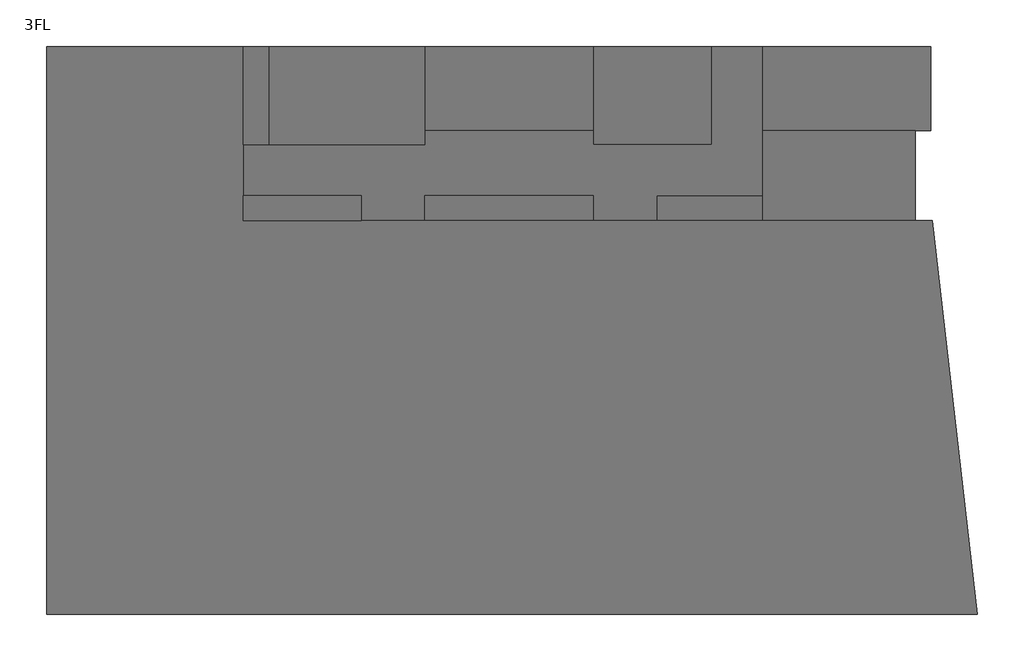
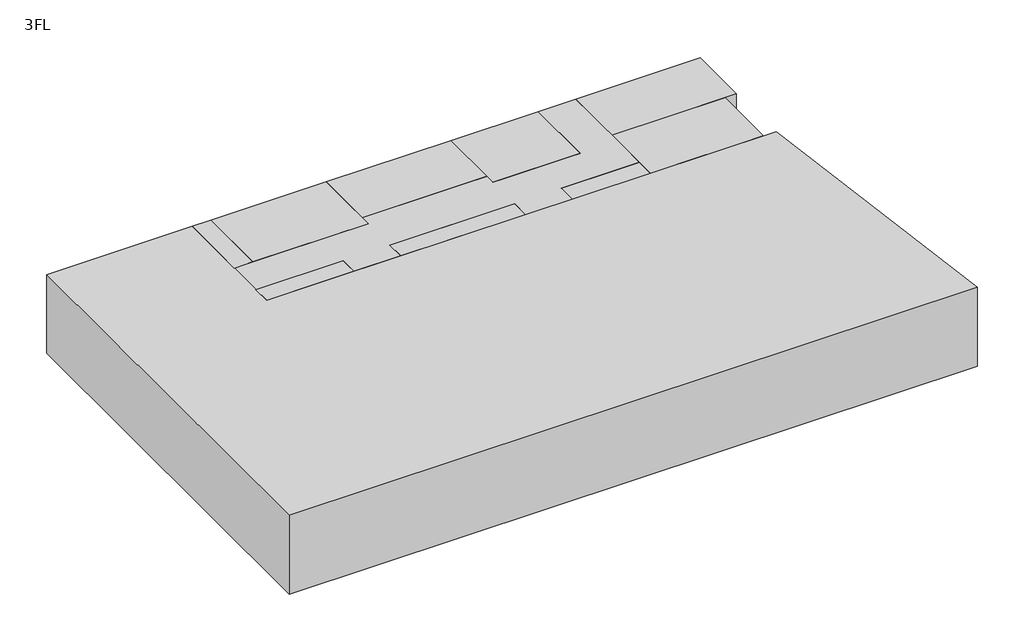
# One storey: 11 proxies.
"""IFC4 building model written with IfcOpenShell, lengths in millimetres."""

from ifc_helpers import new_model, si_unit, frame, origin, place, context, project, spatial, polyline, outline, extrude, element, save

model = new_model("IFC4")

# Units and contexts
model_context = context("Model", 3, world=origin())
ifc_project = project(units=[si_unit("LENGTHUNIT", "METRE", prefix="MILLI")], contexts=[model_context])

# Site, building, storey
site = spatial("IfcSite", under=ifc_project)
building = spatial("IfcBuilding", under=site)
storey = spatial("IfcBuildingStorey", under=building, Name="3FL", Elevation=8600.0)

# Proxies
placement = place(None, origin())
element("IfcBuildingElementProxy", 1, Name="Mass", at=placement, inside=storey, context=model_context, shape_type="SweptSolid", body=[
    extrude(outline(polyline([(-28845.9784025, -3550.3131013), (-28845.9784025, 16649.6868987), (-21845.9784025, 16649.6868987), (-21845.9784025, 10449.6868987), (2661.9595949, 10449.6868987), (4261.9595949, -3550.3131013), (-28845.9784025, -3550.3131013)])), frame((0.0, 0.0, 8600.0), z_axis=(0.0, 0.0, 1.0), x_axis=(1.0, 0.0, 0.0)), (0.0, 0.0, 1.0), 4000.0),
])
element("IfcBuildingElementProxy", 2, Name="Mass", at=placement, inside=storey, context=model_context, shape_type="SweptSolid", body=[
    extrude(outline(polyline([(-9395.9784025, 16649.6868987), (-9395.9784025, 13649.6868987), (-15395.9784025, 13649.6868987), (-15395.9784025, 16649.6868987), (-9395.9784025, 16649.6868987)])), frame((0.0, 0.0, 8600.0), z_axis=(0.0, 0.0, 1.0), x_axis=(1.0, 0.0, 0.0)), (0.0, 0.0, 1.0), 4000.0),
])
element("IfcBuildingElementProxy", 3, Name="Mass", at=placement, inside=storey, context=model_context, shape_type="SweptSolid", body=[
    extrude(outline(polyline([(-15395.9784025, 16649.6868987), (-15395.9784025, 13149.6868987), (-20945.9784025, 13149.6868987), (-20945.9784025, 16649.6868987), (-15395.9784025, 16649.6868987)])), frame((0.0, 0.0, 8600.0), z_axis=(0.0, 0.0, 1.0), x_axis=(1.0, 0.0, 0.0)), (0.0, 0.0, 1.0), 4000.0),
])
element("IfcBuildingElementProxy", 4, Name="Mass", at=placement, inside=storey, context=model_context, shape_type="SweptSolid", body=[
    extrude(outline(polyline([(2604.0215975, 16649.6868987), (2604.0215975, 13649.6868987), (-3395.9784025, 13649.6868987), (-3395.9784025, 16649.6868987), (2604.0215975, 16649.6868987)])), frame((0.0, 0.0, 8600.0), z_axis=(0.0, 0.0, 1.0), x_axis=(1.0, 0.0, 0.0)), (0.0, 0.0, 1.0), 4000.0),
])
element("IfcBuildingElementProxy", 5, Name="Mass", at=placement, inside=storey, context=model_context, shape_type="SweptSolid", body=[
    extrude(outline(polyline([(-5195.9784025, 16649.6868987), (-5195.9784025, 13149.6868987), (-9395.9784025, 13149.6868987), (-9395.9784025, 16649.6868987), (-5195.9784025, 16649.6868987)])), frame((0.0, 0.0, 8600.0), z_axis=(0.0, 0.0, 1.0), x_axis=(1.0, 0.0, 0.0)), (0.0, 0.0, 1.0), 4000.0),
])
element("IfcBuildingElementProxy", 6, Name="Mass", at=placement, inside=storey, context=model_context, shape_type="SweptSolid", body=[
    extrude(outline(polyline([(2054.0215975, 13649.6868987), (2054.0215975, 10449.6868987), (-3395.9784025, 10449.6868987), (-3395.9784025, 13649.6868987), (2054.0215975, 13649.6868987)])), frame((0.0, 0.0, 8600.0), z_axis=(0.0, 0.0, 1.0), x_axis=(1.0, 0.0, 0.0)), (0.0, 0.0, 1.0), 4000.0),
])
element("IfcBuildingElementProxy", 7, Name="Mass", at=placement, inside=storey, context=model_context, shape_type="SweptSolid", body=[
    extrude(outline(polyline([(-20945.9784025, 16649.6868987), (-20945.9784025, 13149.6868987), (-21845.9784025, 13149.6868987), (-21845.9784025, 16649.6868987), (-20945.9784025, 16649.6868987)])), frame((0.0, 0.0, 8600.0), z_axis=(0.0, 0.0, 1.0), x_axis=(1.0, 0.0, 0.0)), (0.0, 0.0, 1.0), 4000.0),
])
element("IfcBuildingElementProxy", 8, Name="Mass", at=placement, inside=storey, context=model_context, shape_type="SweptSolid", body=[
    extrude(outline(polyline([(-17645.9784025, 11349.6868987), (-17645.9784025, 10449.6868987), (-21845.9784025, 10449.6868987), (-21845.9784025, 11349.6868987), (-17645.9784025, 11349.6868987)])), frame((0.0, 0.0, 8600.0), z_axis=(0.0, 0.0, 1.0), x_axis=(1.0, 0.0, 0.0)), (0.0, 0.0, 1.0), 4000.0),
])
element("IfcBuildingElementProxy", 9, Name="Mass", at=placement, inside=storey, context=model_context, shape_type="SweptSolid", body=[
    extrude(outline(polyline([(-9395.9784025, 11349.6868987), (-9395.9784025, 10449.6868987), (-15395.9784025, 10449.6868987), (-15395.9784025, 11349.6868987), (-9395.9784025, 11349.6868987)])), frame((0.0, 0.0, 8600.0), z_axis=(0.0, 0.0, 1.0), x_axis=(1.0, 0.0, 0.0)), (0.0, 0.0, 1.0), 4000.0),
])
element("IfcBuildingElementProxy", 10, Name="Mass", at=placement, inside=storey, context=model_context, shape_type="SweptSolid", body=[
    extrude(outline(polyline([(-3395.9784025, 11349.6868987), (-3395.9784025, 10449.6868987), (-7145.9784025, 10449.6868987), (-7145.9784025, 11349.6868987), (-3395.9784025, 11349.6868987)])), frame((0.0, 0.0, 8600.0), z_axis=(0.0, 0.0, 1.0), x_axis=(1.0, 0.0, 0.0)), (0.0, 0.0, 1.0), 4000.0),
])
element("IfcBuildingElementProxy", 11, Name="Mass", at=placement, inside=storey, context=model_context, shape_type="SweptSolid", body=[
    extrude(outline(polyline([(-15395.9784025, 13149.6868987), (-15395.9784025, 13649.6868987), (-9395.9784025, 13649.6868987), (-9395.9784025, 13149.6868987), (-5195.9784025, 13149.6868987), (-5195.9784025, 16649.6868987), (-3395.9784025, 16649.6868987), (-3395.9784025, 11349.6868987), (-7145.9784025, 11349.6868987), (-7145.9784025, 10449.6868987), (-9395.9784025, 10449.6868987), (-9395.9784025, 11349.6868987), (-15395.9784025, 11349.6868987), (-15395.9784025, 10449.6868987), (-17645.9784025, 10449.6868987), (-17645.9784025, 11349.6868987), (-21845.9784025, 11349.6868987), (-21845.9784025, 13149.6868987), (-15395.9784025, 13149.6868987)])), frame((0.0, 0.0, 8600.0), z_axis=(0.0, 0.0, 1.0), x_axis=(1.0, 0.0, 0.0)), (0.0, 0.0, 1.0), 4000.0),
])

save(model, "model.ifc")
